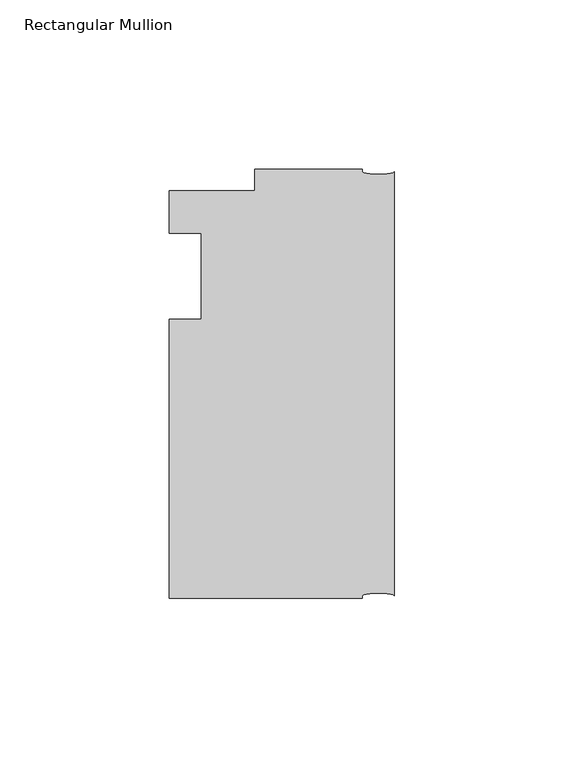
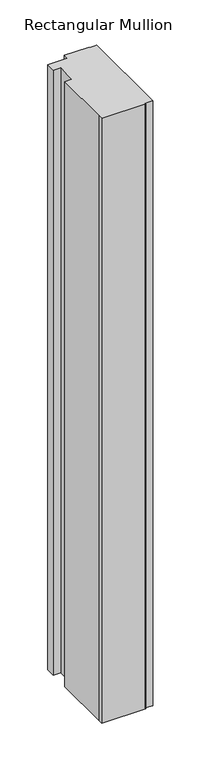
"""IFC4 building model written with IfcOpenShell, lengths in millimetres: member geometry, Rectangular Mullion."""

from ifc_helpers import new_model, si_unit, point, frame, origin, place, context, project, spatial, ellipse_curve, trimmed, source, transform, mapped, element, save
from ifc_brep_helpers import plane_surface, extruded_surface, advanced_brep


def rectangular_mullion_ceb72f0a(model_context):
    return source(origin(), model_context, "Body", "AdvancedBrep", [
        advanced_brep(
        [(-66.675, -107.95, 0.0), (-9.525, -107.95, 0.0), (-9.525, -107.15625, 0.0), (0.0, -107.15625, 0.0), (0.0, 18.25625, 0.0), (-9.525, 18.25625, 0.0), (-9.525, 19.05, 0.0), (-41.275, 19.05, 0.0), (-41.275, 12.7, 0.0), (-66.675, 12.7, 0.0), (-66.675, 0.0, 0.0), (-57.1482296, 0.0, 0.0), (-57.1482296, -25.4, 0.0), (-66.675, -25.4, 0.0), (-66.675, -101.6, 0.0), (-66.675, -107.95, -825.5), (-66.675, -101.6, -825.5), (-66.675, -25.4, -825.5), (-57.1482296, -25.4, -825.5), (-57.1482296, 0.0, -825.5), (-66.675, 0.0, -825.5), (-66.675, 12.7, -825.5), (-41.275, 12.7, -825.5), (-41.275, 19.05, -825.5), (-9.525, 19.05, -825.5), (-9.525, 18.25625, -825.5), (0.0, 18.25625, -825.5), (0.0, -107.15625, -825.5), (-9.525, -107.15625, -825.5), (-9.525, -107.95, -825.5)],
        [
            (0, 1),
            (1, 2),
            (2, 3, ellipse_curve(frame((-4.7625, -107.15625, 0.0), z_axis=(0.0, 0.0, -1.0), x_axis=(-1.0, 0.0, 0.0)), 4.7625, 0.79375)),
            (3, 4),
            (4, 5, ellipse_curve(frame((-4.7625, 18.25625, 0.0), z_axis=(0.0, 0.0, -1.0), x_axis=(-1.0, 0.0, 0.0)), 4.7625, 0.79375)),
            (5, 6),
            (6, 7),
            (7, 8),
            (8, 9),
            (9, 10),
            (10, 11),
            (11, 12),
            (12, 13),
            (13, 14),
            (14, 0),
            (15, 16),
            (16, 17),
            (17, 18),
            (18, 19),
            (19, 20),
            (20, 21),
            (21, 22),
            (22, 23),
            (23, 24),
            (24, 25),
            (25, 26, ellipse_curve(frame((-4.7625, 18.25625, -825.5), z_axis=(0.0, 0.0, 1.0), x_axis=(-1.0, 0.0, 0.0)), 4.7625, 0.79375)),
            (26, 27),
            (27, 28, ellipse_curve(frame((-4.7625, -107.15625, -825.5), z_axis=(0.0, 0.0, 1.0), x_axis=(-1.0, 0.0, 0.0)), 4.7625, 0.79375)),
            (28, 29),
            (29, 15),
            (0, 15),
            (29, 1),
            (28, 2),
            (27, 3),
            (26, 4),
            (25, 5),
            (24, 6),
            (23, 7),
            (22, 8),
            (21, 9),
            (20, 10),
            (19, 11),
            (18, 12),
            (17, 13),
            (16, 14),
        ],
        [
            plane_surface(frame((0.0, -126.8808816, 0.0), z_axis=(0.0, 0.0, 1.0), x_axis=(-1.0, 0.0, 0.0))),
            plane_surface(frame((0.0, -126.8808816, -825.5), z_axis=(0.0, 0.0, -1.0), x_axis=(-1.0, 0.0, 0.0))),
            plane_surface(frame((-66.675, -107.95, 0.0), z_axis=(0.0, -1.0, 0.0), x_axis=(0.0, 0.0, -1.0))),
            plane_surface(frame((-9.525, -107.95, 0.0), z_axis=(1.0, 0.0, 0.0), x_axis=(0.0, 0.0, -1.0))),
            extruded_surface(trimmed(ellipse_curve(frame((-4.7625, -107.15625, -825.5), z_axis=(0.0, 0.0, -1.0), x_axis=(-1.0, 0.0, 0.0)), 4.7625, 0.79375), [point((-9.525, -107.15625, -825.5))], [point((0.0, -107.15625, -825.5))], True, "CARTESIAN"), (0.0, 0.0, 825.5), 825.5),
            plane_surface(frame((0.0, -107.15625, 0.0), z_axis=(1.0, 0.0, 0.0), x_axis=(0.0, 0.0, -1.0))),
            extruded_surface(trimmed(ellipse_curve(frame((-4.7625, 18.25625, -825.5), z_axis=(0.0, 0.0, -1.0), x_axis=(-1.0, 0.0, 0.0)), 4.7625, 0.79375), [point((0.0, 18.25625, -825.5))], [point((-9.525, 18.25625, -825.5))], True, "CARTESIAN"), (0.0, 0.0, 825.5), 825.5),
            plane_surface(frame((-9.525, 18.25625, 0.0), z_axis=(1.0, 0.0, 0.0), x_axis=(0.0, 0.0, -1.0))),
            plane_surface(frame((-9.525, 19.05, 0.0), z_axis=(0.0, 1.0, 0.0), x_axis=(0.0, 0.0, -1.0))),
            plane_surface(frame((-41.275, 19.05, 0.0), z_axis=(-1.0, 0.0, 0.0), x_axis=(0.0, 0.0, -1.0))),
            plane_surface(frame((-41.275, 12.7, 0.0), z_axis=(0.0, 1.0, 0.0), x_axis=(0.0, 0.0, -1.0))),
            plane_surface(frame((-66.675, 12.7, 0.0), z_axis=(-1.0, 0.0, 0.0), x_axis=(0.0, 0.0, -1.0))),
            plane_surface(frame((-66.675, 0.0, 0.0), z_axis=(0.0, -1.0, 0.0), x_axis=(0.0, 0.0, -1.0))),
            plane_surface(frame((-57.1482296, 0.0, 0.0), z_axis=(-1.0, 0.0, 0.0), x_axis=(0.0, 0.0, -1.0))),
            plane_surface(frame((-57.1482296, -25.4, 0.0), z_axis=(0.0, 1.0, 0.0), x_axis=(0.0, 0.0, -1.0))),
            plane_surface(frame((-66.675, -25.4, 0.0), z_axis=(-1.0, 0.0, 0.0), x_axis=(0.0, 0.0, -1.0))),
            plane_surface(frame((-66.675, -101.6, 0.0), z_axis=(-1.0, 0.0, 0.0), x_axis=(0.0, 0.0, -1.0))),
        ],
        [
            (0, [[1, 2, 3, 4, 5, 6, 7, 8, 9, 10, 11, 12, 13, 14, 15]]),
            (1, [[16, 17, 18, 19, 20, 21, 22, 23, 24, 25, 26, 27, 28, 29, 30]]),
            (2, [[-1, 31, -30, 32]]),
            (3, [[-2, -32, -29, 33]]),
            (4, [[-3, -33, -28, 34]]),
            (5, [[-4, -34, -27, 35]]),
            (6, [[-5, -35, -26, 36]]),
            (7, [[-6, -36, -25, 37]]),
            (8, [[-7, -37, -24, 38]]),
            (9, [[-8, -38, -23, 39]]),
            (10, [[-9, -39, -22, 40]]),
            (11, [[-10, -40, -21, 41]]),
            (12, [[-11, -41, -20, 42]]),
            (13, [[-12, -42, -19, 43]]),
            (14, [[-13, -43, -18, 44]]),
            (15, [[-14, -44, -17, 45]]),
            (16, [[-15, -45, -16, -31]]),
        ],
    ),
    ])


if __name__ == "__main__":
    model = new_model("IFC4")
    model_context = context("Model", 3, world=origin())
    ifc_project = project(units=[si_unit("LENGTHUNIT", "METRE", prefix="MILLI")], contexts=[model_context])
    site = spatial("IfcSite", under=ifc_project)
    building = spatial("IfcBuilding", under=site)
    placement = place(None, origin())
    rectangular_mullion_shape = rectangular_mullion_ceb72f0a(model_context)
    element("IfcMember", 1, ObjectType="Rectangular Mullion", at=placement, inside=building, context=model_context, shape_type="MappedRepresentation", body=[
        mapped(rectangular_mullion_shape, transform((0.0, 0.0, 0.0), x_axis=(1.0, 0.0, 0.0), y_axis=(0.0, 1.0, 0.0), z_axis=(0.0, 0.0, 1.0))),
    ])
    save(model, "model.ifc")
